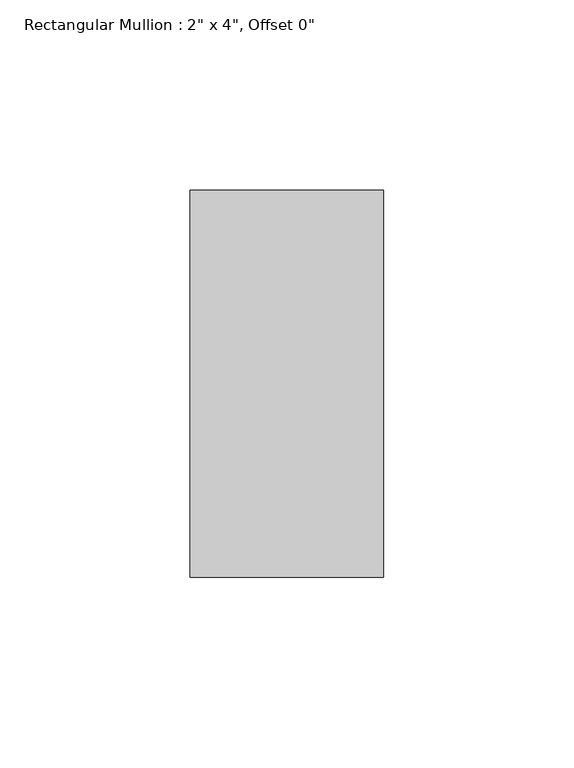
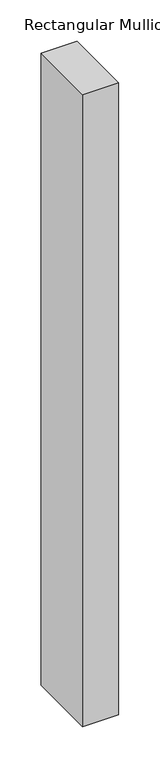
"""IFC4 building model written with IfcOpenShell, lengths in millimetres: member geometry."""

from ifc_helpers import new_model, si_unit, frame, origin, place, context, project, spatial, polyline, outline, extrude, source, transform, mapped, element, save


def member_7d110714(model_context):
    return source(origin(), model_context, "Body", "SweptSolid", [
        extrude(outline(polyline([(0.0, 50.8), (0.0, -50.8), (-50.8, -50.8), (-50.8, 50.8), (0.0, 50.8)])), frame((0.0, 0.0, -939.8), z_axis=(0.0, 0.0, 1.0), x_axis=(1.0, 0.0, 0.0)), (0.0, 0.0, 1.0), 939.8),
    ])


if __name__ == "__main__":
    model = new_model("IFC4")
    model_context = context("Model", 3, world=origin())
    ifc_project = project(units=[si_unit("LENGTHUNIT", "METRE", prefix="MILLI")], contexts=[model_context])
    site = spatial("IfcSite", under=ifc_project)
    building = spatial("IfcBuilding", under=site)
    placement = place(None, origin())
    member_shape = member_7d110714(model_context)
    element("IfcMember", 1, ObjectType="Rectangular Mullion : 2\" x 4\", Offset 0\"", at=placement, inside=building, context=model_context, shape_type="MappedRepresentation", body=[
        mapped(member_shape, transform((0.0, 0.0, 0.0), x_axis=(1.0, 0.0, 0.0), y_axis=(0.0, 1.0, 0.0), z_axis=(0.0, 0.0, 1.0))),
    ])
    save(model, "model.ifc")
